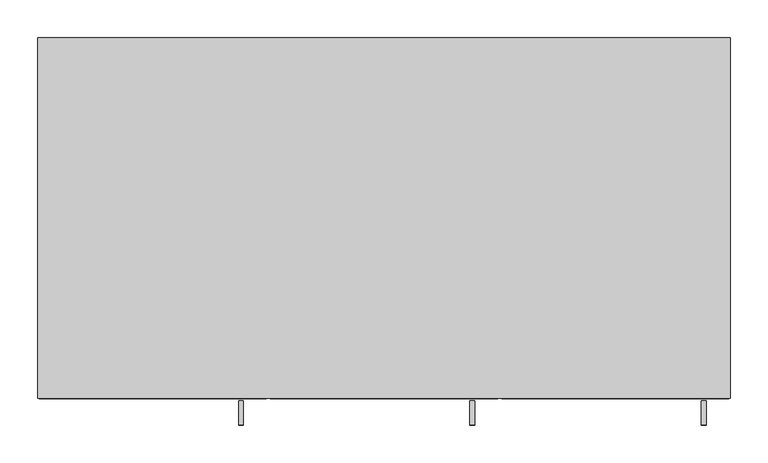
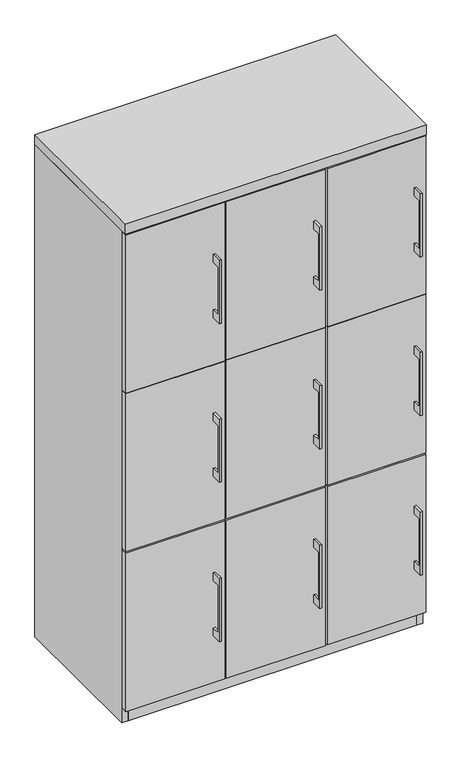
"""IFC4 building model written with IfcOpenShell, lengths in millimetres: furniture geometry."""

from ifc_helpers import new_model, si_unit, frame, origin, origin_with_axes, place, context, project, spatial, polyline, outline, extrude, source, transform, mapped, element, save


def furniture_d4be352f(model_context):
    return source(origin(), model_context, "Body", "SweptSolid", [
        extrude(outline(polyline([(-479.425, 890.5875), (-504.8249758, 890.5875), (-504.8249758, 738.1875), (-479.425, 738.1875), (-479.425, 712.7875), (-511.1749879, 712.7875), (-511.1749879, 915.9875), (-479.425, 915.9875), (-479.425, 890.5875)])), frame((113.5062621, 0.0, 0.0), z_axis=(1.0, 0.0, 0.0), x_axis=(0.0, 1.0, 0.0)), (0.0, 0.0, 1.0), 6.3499758),
        extrude(outline(polyline([(150.01875, -476.25), (-150.01875, -476.25), (-150.01875, -457.2), (150.01875, -457.2), (150.01875, -476.25)])), frame((0.0, 0.0, 560.3875), z_axis=(0.0, 0.0, 1.0), x_axis=(1.0, 0.0, 0.0)), (0.0, 0.0, 1.0), 508.0),
        extrude(outline(polyline([(-479.425, 890.5875), (-504.8249758, 890.5875), (-504.8249758, 738.1875), (-479.425, 738.1875), (-479.425, 712.7875), (-511.1749879, 712.7875), (-511.1749879, 915.9875), (-479.425, 915.9875), (-479.425, 890.5875)])), frame((419.1000121, 0.0, 0.0), z_axis=(1.0, 0.0, 0.0), x_axis=(0.0, 1.0, 0.0)), (0.0, 0.0, 1.0), 6.3499758),
        extrude(outline(polyline([(455.6125, -476.25), (155.575, -476.25), (155.575, -457.2), (455.6125, -457.2), (455.6125, -476.25)])), frame((0.0, 0.0, 560.3875), z_axis=(0.0, 0.0, 1.0), x_axis=(1.0, 0.0, 0.0)), (0.0, 0.0, 1.0), 508.0),
        extrude(outline(polyline([(-479.425, 890.5875), (-504.8249758, 890.5875), (-504.8249758, 738.1875), (-479.425, 738.1875), (-479.425, 712.7875), (-511.1749879, 712.7875), (-511.1749879, 915.9875), (-479.425, 915.9875), (-479.425, 890.5875)])), frame((-192.0874879, 0.0, 0.0), z_axis=(1.0, 0.0, 0.0), x_axis=(0.0, 1.0, 0.0)), (0.0, 0.0, 1.0), 6.3499758),
        extrude(outline(polyline([(-155.575, -476.25), (-455.6125, -476.25), (-455.6125, -457.2), (-155.575, -457.2), (-155.575, -476.25)])), frame((0.0, 0.0, 560.3875), z_axis=(0.0, 0.0, 1.0), x_axis=(1.0, 0.0, 0.0)), (0.0, 0.0, 1.0), 508.0),
        extrude(outline(polyline([(-479.425, 377.825), (-504.8249758, 377.825), (-504.8249758, 225.425), (-479.425, 225.425), (-479.425, 200.025), (-511.1749879, 200.025), (-511.1749879, 403.225), (-479.425, 403.225), (-479.425, 377.825)])), frame((113.5062621, 0.0, 0.0), z_axis=(1.0, 0.0, 0.0), x_axis=(0.0, 1.0, 0.0)), (0.0, 0.0, 1.0), 6.3499758),
        extrude(outline(polyline([(150.01875, -476.25), (-150.01875, -476.25), (-150.01875, -457.2), (150.01875, -457.2), (150.01875, -476.25)])), frame((0.0, 0.0, 47.625), z_axis=(0.0, 0.0, 1.0), x_axis=(1.0, 0.0, 0.0)), (0.0, 0.0, 1.0), 508.0),
        extrude(outline(polyline([(-479.425, 1400.175), (-504.8249758, 1400.175), (-504.8249758, 1247.775), (-479.425, 1247.775), (-479.425, 1222.375), (-511.1749879, 1222.375), (-511.1749879, 1425.575), (-479.425, 1425.575), (-479.425, 1400.175)])), frame((113.5062621, 0.0, 0.0), z_axis=(1.0, 0.0, 0.0), x_axis=(0.0, 1.0, 0.0)), (0.0, 0.0, 1.0), 6.3499758),
        extrude(outline(polyline([(150.01875, -476.25), (-150.01875, -476.25), (-150.01875, -457.2), (150.01875, -457.2), (150.01875, -476.25)])), frame((0.0, 0.0, 1069.975), z_axis=(0.0, 0.0, 1.0), x_axis=(1.0, 0.0, 0.0)), (0.0, 0.0, 1.0), 508.0),
        extrude(outline(polyline([(-479.425, 1400.175), (-504.8249758, 1400.175), (-504.8249758, 1247.775), (-479.425, 1247.775), (-479.425, 1222.375), (-511.1749879, 1222.375), (-511.1749879, 1425.575), (-479.425, 1425.575), (-479.425, 1400.175)])), frame((419.1000121, 0.0, 0.0), z_axis=(1.0, 0.0, 0.0), x_axis=(0.0, 1.0, 0.0)), (0.0, 0.0, 1.0), 6.3499758),
        extrude(outline(polyline([(455.6125, -476.25), (155.575, -476.25), (155.575, -457.2), (455.6125, -457.2), (455.6125, -476.25)])), frame((0.0, 0.0, 1069.975), z_axis=(0.0, 0.0, 1.0), x_axis=(1.0, 0.0, 0.0)), (0.0, 0.0, 1.0), 508.0),
        extrude(outline(polyline([(-479.425, 1400.175), (-504.8249758, 1400.175), (-504.8249758, 1247.775), (-479.425, 1247.775), (-479.425, 1222.375), (-511.1749879, 1222.375), (-511.1749879, 1425.575), (-479.425, 1425.575), (-479.425, 1400.175)])), frame((-192.0874879, 0.0, 0.0), z_axis=(1.0, 0.0, 0.0), x_axis=(0.0, 1.0, 0.0)), (0.0, 0.0, 1.0), 6.3499758),
        extrude(outline(polyline([(-155.575, -476.25), (-455.6125, -476.25), (-455.6125, -457.2), (-155.575, -457.2), (-155.575, -476.25)])), frame((0.0, 0.0, 1069.975), z_axis=(0.0, 0.0, 1.0), x_axis=(1.0, 0.0, 0.0)), (0.0, 0.0, 1.0), 508.0),
        extrude(outline(polyline([(-479.425, 377.825), (-504.8249758, 377.825), (-504.8249758, 225.425), (-479.425, 225.425), (-479.425, 200.025), (-511.1749879, 200.025), (-511.1749879, 403.225), (-479.425, 403.225), (-479.425, 377.825)])), frame((419.1000121, 0.0, 0.0), z_axis=(1.0, 0.0, 0.0), x_axis=(0.0, 1.0, 0.0)), (0.0, 0.0, 1.0), 6.3499758),
        extrude(outline(polyline([(455.6125, -476.25), (155.575, -476.25), (155.575, -457.2), (455.6125, -457.2), (455.6125, -476.25)])), frame((0.0, 0.0, 47.625), z_axis=(0.0, 0.0, 1.0), x_axis=(1.0, 0.0, 0.0)), (0.0, 0.0, 1.0), 508.0),
        extrude(outline(polyline([(-479.425, 377.825), (-504.8249758, 377.825), (-504.8249758, 225.425), (-479.425, 225.425), (-479.425, 200.025), (-511.1749879, 200.025), (-511.1749879, 403.225), (-479.425, 403.225), (-479.425, 377.825)])), frame((-192.0874879, 0.0, 0.0), z_axis=(1.0, 0.0, 0.0), x_axis=(0.0, 1.0, 0.0)), (0.0, 0.0, 1.0), 6.3499758),
        extrude(outline(polyline([(-155.575, -476.25), (-455.6125, -476.25), (-455.6125, -457.2), (-155.575, -457.2), (-155.575, -476.25)])), frame((0.0, 0.0, 47.625), z_axis=(0.0, 0.0, 1.0), x_axis=(1.0, 0.0, 0.0)), (0.0, 0.0, 1.0), 508.0),
        extrude(outline(polyline([(-142.875, -19.05), (-142.875, -457.2), (-161.925, -457.2), (-161.925, -19.05), (-142.875, -19.05)])), frame((0.0, 0.0, 47.625), z_axis=(0.0, 0.0, 1.0), x_axis=(1.0, 0.0, 0.0)), (0.0, 0.0, 1.0), 1533.525),
        extrude(outline(polyline([(161.925, -19.05), (161.925, -457.2), (142.875, -457.2), (142.875, -19.05), (161.925, -19.05)])), frame((0.0, 0.0, 47.625), z_axis=(0.0, 0.0, 1.0), x_axis=(1.0, 0.0, 0.0)), (0.0, 0.0, 1.0), 1533.525),
        extrude(outline(polyline([(438.15, -19.05), (438.15, -457.2), (-438.15, -457.2), (-438.15, -19.05), (438.15, -19.05)])), origin_with_axes(), (0.0, 0.0, 1.0), 47.625),
        extrude(outline(polyline([(457.2, 0.0), (457.2, -476.25), (-457.2, -476.25), (-457.2, 0.0), (457.2, 0.0)])), frame((0.0, 0.0, 1581.15), z_axis=(0.0, 0.0, 1.0), x_axis=(1.0, 0.0, 0.0)), (0.0, 0.0, 1.0), 31.75),
        extrude(outline(polyline([(457.2, 0.0), (457.2, -457.2), (438.15, -457.2), (438.15, -19.05), (-438.15, -19.05), (-438.15, -457.2), (-457.2, -457.2), (-457.2, 0.0), (457.2, 0.0)])), origin_with_axes(), (0.0, 0.0, 1.0), 1581.15),
    ])


if __name__ == "__main__":
    model = new_model("IFC4")
    model_context = context("Model", 3, world=origin())
    ifc_project = project(units=[si_unit("LENGTHUNIT", "METRE", prefix="MILLI")], contexts=[model_context])
    site = spatial("IfcSite", under=ifc_project)
    building = spatial("IfcBuilding", under=site)
    placement = place(None, origin())
    furniture_shape = furniture_d4be352f(model_context)
    element("IfcFurniture", 1, at=placement, inside=building, context=model_context, shape_type="MappedRepresentation", body=[
        mapped(furniture_shape, transform((0.0, 0.0, 0.0), x_axis=(1.0, 0.0, 0.0), y_axis=(0.0, 1.0, 0.0), z_axis=(0.0, 0.0, 1.0))),
    ])
    save(model, "model.ifc")
